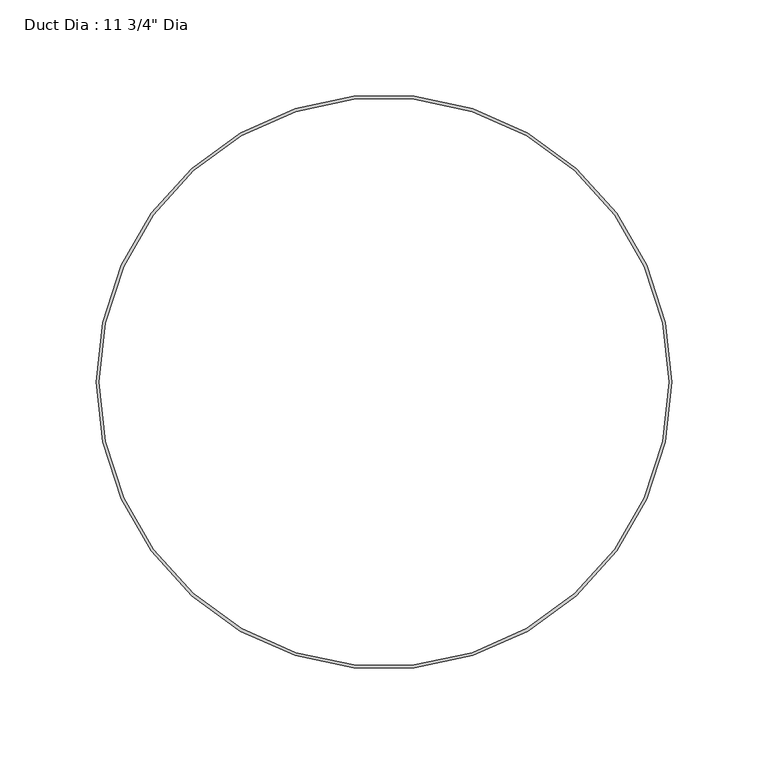
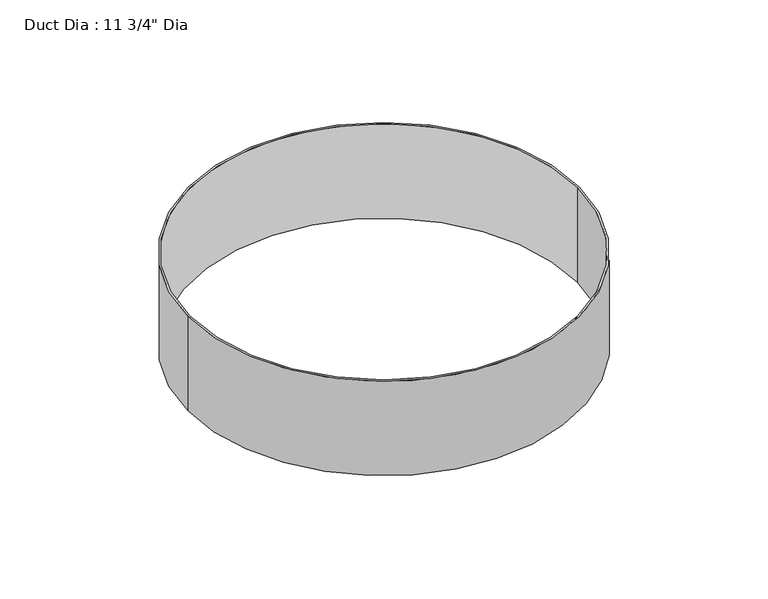
"""IFC4 building model written with IfcOpenShell, lengths in millimetres: proxy geometry."""

from ifc_helpers import new_model, si_unit, point, origin, origin_with_axes, origin_2d, place, context, project, spatial, circle_curve, trimmed, segment, composite_curve, outline, extrude, source, transform, mapped, element, save


def proxy_af8f38fe(model_context):
    return source(origin(), model_context, "Body", "SweptSolid", [
        extrude(outline(composite_curve([segment(trimmed(circle_curve(origin_2d(), 149.225), [point((-149.225, 0.0))], [point((149.225, 0.0))], False, "CARTESIAN"), True, "CONTINUOUS"), segment(trimmed(circle_curve(origin_2d(), 149.225), [point((149.225, 0.0))], [point((-149.225, 0.0))], False, "CARTESIAN"), True, "CONTINUOUS")], self_intersect=False), holes=[composite_curve([segment(trimmed(circle_curve(origin_2d(), 147.6375), [point((-147.6375, 0.0))], [point((147.6375, 0.0))], True, "CARTESIAN"), True, "CONTINUOUS"), segment(trimmed(circle_curve(origin_2d(), 147.6375), [point((147.6375, 0.0))], [point((-147.6375, 0.0))], True, "CARTESIAN"), True, "CONTINUOUS")], self_intersect=False)]), origin_with_axes(), (0.0, 0.0, 1.0), 76.2),
    ])


if __name__ == "__main__":
    model = new_model("IFC4")
    model_context = context("Model", 3, world=origin())
    ifc_project = project(units=[si_unit("LENGTHUNIT", "METRE", prefix="MILLI")], contexts=[model_context])
    site = spatial("IfcSite", under=ifc_project)
    building = spatial("IfcBuilding", under=site)
    placement = place(None, origin())
    proxy_shape = proxy_af8f38fe(model_context)
    element("IfcBuildingElementProxy", 1, Name="Duct Dia : 11 3/4\" Dia", ObjectType="Duct Dia : 11 3/4\" Dia", at=placement, inside=building, context=model_context, shape_type="MappedRepresentation", body=[
        mapped(proxy_shape, transform((0.0, 0.0, 0.0), x_axis=(1.0, 0.0, 0.0), y_axis=(0.0, 1.0, 0.0), z_axis=(0.0, 0.0, 1.0))),
    ])
    save(model, "model.ifc")
